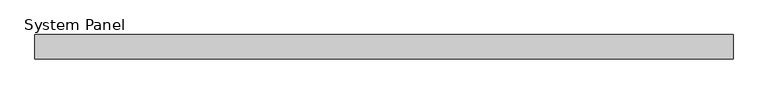
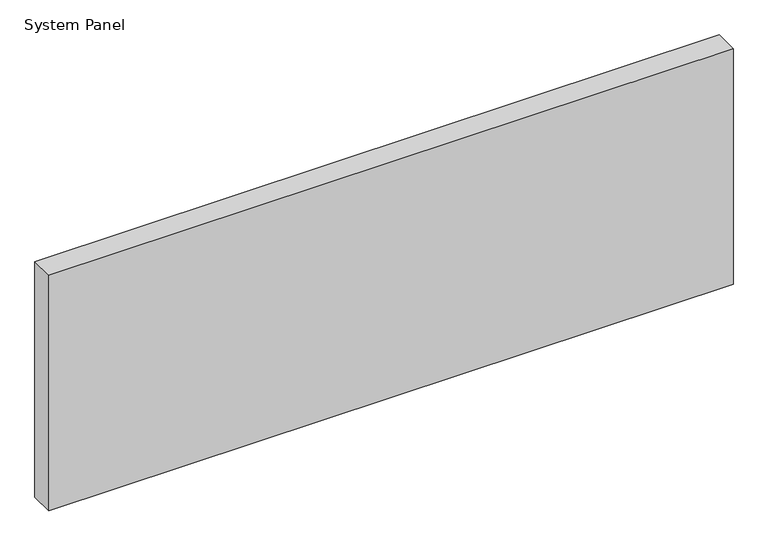
"""IFC4 building model written with IfcOpenShell, lengths in millimetres: plate geometry, System Panel."""

import ifcopenshell
import ifcopenshell.guid

model = None  # the IFC model being written
_history = None  # IfcOwnerHistory: only IFC2X3 demands one
_inside = {}  # id of a spatial element -> (the spatial element, [elements in it])
_under = {}  # id of a project, library or spatial element -> (it, [spatial elements below it])
_declared = {}  # id of a project -> (the project, [libraries it declares])
_typed = {}  # id of a type object -> (the type object, [elements of that type])
_made_of = {}  # id of a material, layer set ... -> (it, [elements and type objects made of it])


def new_model(schema):
    """Start an empty IFC model of exactly this schema.

    Asked for "IFC4X3", IfcOpenShell would pick the latest addendum, in which some entities
    have other attributes; the version numbers below select the first issue.
    IFC2X3 requires an IfcOwnerHistory on every rooted entity: one is made here for all.
    """
    global model, _history
    if schema == "IFC4X3":
        model = ifcopenshell.file(schema_version=(4, 3, 0, 0))
    else:
        model = ifcopenshell.file(schema=schema)
    _inside.clear()
    _under.clear()
    _declared.clear()
    _typed.clear()
    _made_of.clear()
    _history = None
    if model.schema == "IFC2X3":
        org = make("IfcOrganization", Name="unknown")
        user = make(
            "IfcPersonAndOrganization",
            ThePerson=make("IfcPerson", FamilyName="unknown"),
            TheOrganization=org,
        )
        app = make(
            "IfcApplication",
            ApplicationDeveloper=org,
            Version="unknown",
            ApplicationFullName="unknown",
            ApplicationIdentifier="unknown",
        )
        _history = make(
            "IfcOwnerHistory",
            OwningUser=user,
            OwningApplication=app,
            ChangeAction="ADDED",
            CreationDate=0,
        )
    return model


def make(cls, **values):
    """One entity of the class cls with the attributes given. An attribute that is None is left unset."""
    return model.create_entity(
        cls, **{name: value for name, value in values.items() if value is not None}
    )


def rooted(cls, **values):
    """An entity with a GlobalId (a new one), such as an element, a storey or a relation."""
    return make(cls, GlobalId=ifcopenshell.guid.new(), OwnerHistory=_history, **values)


def si_unit(unit_type, name, prefix=None):
    """IfcSIUnit, for example si_unit("LENGTHUNIT", "METRE", prefix="MILLI")."""
    return make("IfcSIUnit", UnitType=unit_type, Prefix=prefix, Name=name)


def assignment(units):
    """IfcUnitAssignment: the units of a project."""
    return None if units is None else make("IfcUnitAssignment", Units=units)


def point(xyz):
    """IfcCartesianPoint."""
    return None if xyz is None else make("IfcCartesianPoint", Coordinates=xyz)


def direction(xyz):
    """IfcDirection."""
    return None if xyz is None else make("IfcDirection", DirectionRatios=xyz)


def frame(location, z_axis=None, x_axis=None):
    """IfcAxis2Placement3D, a coordinate frame: its origin and axes. An axis left out is left unset."""
    return make(
        "IfcAxis2Placement3D",
        Location=point(location),
        Axis=direction(z_axis),
        RefDirection=direction(x_axis),
    )


def origin():
    """The frame at (0, 0, 0) with its axes left unset."""
    return frame((0.0, 0.0, 0.0))


def origin_with_axes():
    """The frame at (0, 0, 0) with the z axis (0, 0, 1) and the x axis (1, 0, 0) written out."""
    return frame((0.0, 0.0, 0.0), z_axis=(0.0, 0.0, 1.0), x_axis=(1.0, 0.0, 0.0))


def place(relative_to, where):
    """IfcLocalPlacement: puts the frame where relative to a parent placement (None: the world)."""
    return make(
        "IfcLocalPlacement", PlacementRelTo=relative_to, RelativePlacement=where
    )


def context(
    kind, dimensions, precision=None, world=None, true_north=None, identifier=None
):
    """IfcGeometricRepresentationContext, for example the 3D "Model" context."""
    return make(
        "IfcGeometricRepresentationContext",
        ContextIdentifier=identifier,
        ContextType=kind,
        CoordinateSpaceDimension=dimensions,
        Precision=precision,
        WorldCoordinateSystem=world,
        TrueNorth=true_north,
    )


def project(units=None, contexts=None):
    """IfcProject with its units and contexts."""
    return rooted(
        "IfcProject",
        Name="project",
        RepresentationContexts=contexts,
        UnitsInContext=assignment(units),
    )


def spatial(cls, under=None, at=None, **own):
    """A site, building, storey or space (cls), placed at a placement, below another one or the project."""
    s = rooted(cls, ObjectPlacement=at, **own)
    if under is not None:
        _under.setdefault(under.id(), (under, []))[1].append(s)
    return s


def polyline(points):
    """IfcPolyline through the points."""
    return make("IfcPolyline", Points=[point(p) for p in points])


def outline(outer, holes=None, kind="AREA"):
    """IfcArbitraryClosedProfileDef: a profile drawn as a closed curve; with holes, ...WithVoids."""
    if holes is None:
        return make("IfcArbitraryClosedProfileDef", ProfileType=kind, OuterCurve=outer)
    return make(
        "IfcArbitraryProfileDefWithVoids",
        ProfileType=kind,
        OuterCurve=outer,
        InnerCurves=holes,
    )


def extrude(swept, where, along, depth):
    """IfcExtrudedAreaSolid: the profile swept, set in the frame where, extruded along a direction by depth."""
    return make(
        "IfcExtrudedAreaSolid",
        SweptArea=swept,
        Position=where,
        ExtrudedDirection=direction(along),
        Depth=depth,
    )


def shape(context_of_items, identifier, shape_type, items):
    """IfcShapeRepresentation: the items that make up one representation, for example the "Body"."""
    return make(
        "IfcShapeRepresentation",
        ContextOfItems=context_of_items,
        RepresentationIdentifier=identifier,
        RepresentationType=shape_type,
        Items=items,
    )


def source(mapping_origin, context_of_items, identifier, shape_type, items):
    """IfcRepresentationMap: a shape defined once, which mapped items show again and again."""
    return make(
        "IfcRepresentationMap",
        MappingOrigin=mapping_origin,
        MappedRepresentation=shape(context_of_items, identifier, shape_type, items),
    )


def transform(
    local_origin,
    x_axis=None,
    y_axis=None,
    z_axis=None,
    scale=None,
    scale2=None,
    scale3=None,
    uniform=True,
):
    """IfcCartesianTransformationOperator3D, or its non-uniform kind. x_axis, y_axis, z_axis: its Axis1, 2, 3."""
    if uniform:
        return make(
            "IfcCartesianTransformationOperator3D",
            Axis1=direction(x_axis),
            Axis2=direction(y_axis),
            LocalOrigin=point(local_origin),
            Scale=scale,
            Axis3=direction(z_axis),
        )
    return make(
        "IfcCartesianTransformationOperator3DnonUniform",
        Axis1=direction(x_axis),
        Axis2=direction(y_axis),
        LocalOrigin=point(local_origin),
        Scale=scale,
        Axis3=direction(z_axis),
        Scale2=scale2,
        Scale3=scale3,
    )


def mapped(mapping_source, mapping_target):
    """IfcMappedItem: shows the shape of a source again, moved by a transform."""
    return make(
        "IfcMappedItem", MappingSource=mapping_source, MappingTarget=mapping_target
    )


def made_of(thing, what):
    """Note that an element or type object is made of a material, layer set ...; save() writes the relation."""
    if what is not None:
        _made_of.setdefault(what.id(), (what, []))[1].append(thing)
    return thing


def element(
    cls,
    number,
    at=None,
    inside=None,
    cuts=None,
    type_object=None,
    material=None,
    context=None,
    identifier="Body",
    shape_type=None,
    held_by="IfcProductDefinitionShape",
    body=None,
    shapes=None,
    **own,
):
    """One element of the class cls, such as IfcWall. Its Tag is "e" and its number.

    at: its placement. inside: the storey or other place that contains it. cuts: it is an
    opening in that element (IfcRelVoidsElement). A single representation is given by context,
    identifier, shape_type and body (its items); several are given by shapes. held_by: the class
    of the entity that holds the representations. save() writes the other relations.
    """
    e = rooted(cls, Tag="e%d" % number, ObjectPlacement=at, **own)
    if body is not None:
        shapes = [shape(context, identifier, shape_type, body)]
    if shapes is not None:
        e.Representation = make(held_by, Representations=shapes)
    if inside is not None:
        _inside.setdefault(inside.id(), (inside, []))[1].append(e)
    if cuts is not None:
        rooted(
            "IfcRelVoidsElement", RelatingBuildingElement=cuts, RelatedOpeningElement=e
        )
    if type_object is not None:
        _typed.setdefault(type_object.id(), (type_object, []))[1].append(e)
    return made_of(e, material)


def aggregate(whole, parts):
    """IfcRelAggregates: a whole, such as a stair, and the parts it consists of."""
    return rooted("IfcRelAggregates", RelatingObject=whole, RelatedObjects=parts)


def save(model, path):
    """Write the relations noted so far, then the file.

    IfcRelAggregates (storeys below a building ...), IfcRelContainedInSpatialStructure (elements
    in a storey), IfcRelDefinesByType, IfcRelAssociatesMaterial and IfcRelDeclares: one each for
    every whole, place, type object, material and project.
    """
    for whole, parts in _under.values():
        aggregate(whole, parts)
    for where, things in _inside.values():
        rooted(
            "IfcRelContainedInSpatialStructure",
            RelatedElements=things,
            RelatingStructure=where,
        )
    for kind, things in _typed.values():
        rooted("IfcRelDefinesByType", RelatedObjects=things, RelatingType=kind)
    for what, things in _made_of.values():
        rooted("IfcRelAssociatesMaterial", RelatedObjects=things, RelatingMaterial=what)
    for by, libraries in _declared.values():
        rooted("IfcRelDeclares", RelatingContext=by, RelatedDefinitions=libraries)
    model.write(path)


def system_panel_44c4bee9(model_context):
    return source(origin(), model_context, "Body", "SweptSolid", [
        extrude(outline(polyline([(570.0, 14.0), (-570.0, 14.0), (-570.0, 54.0), (570.0, 54.0), (570.0, 14.0)])), origin_with_axes(), (0.0, 0.0, 1.0), 415.0),
    ])


if __name__ == "__main__":
    model = new_model("IFC4")
    model_context = context("Model", 3, world=origin())
    ifc_project = project(units=[si_unit("LENGTHUNIT", "METRE", prefix="MILLI")], contexts=[model_context])
    site = spatial("IfcSite", under=ifc_project)
    building = spatial("IfcBuilding", under=site)
    placement = place(None, origin())
    system_panel_shape = system_panel_44c4bee9(model_context)
    element("IfcPlate", 1, ObjectType="System Panel", at=placement, inside=building, context=model_context, shape_type="MappedRepresentation", body=[
        mapped(system_panel_shape, transform((0.0, 0.0, 0.0), x_axis=(1.0, 0.0, 0.0), y_axis=(0.0, 1.0, 0.0), z_axis=(0.0, 0.0, 1.0))),
    ])
    save(model, "model.ifc")
